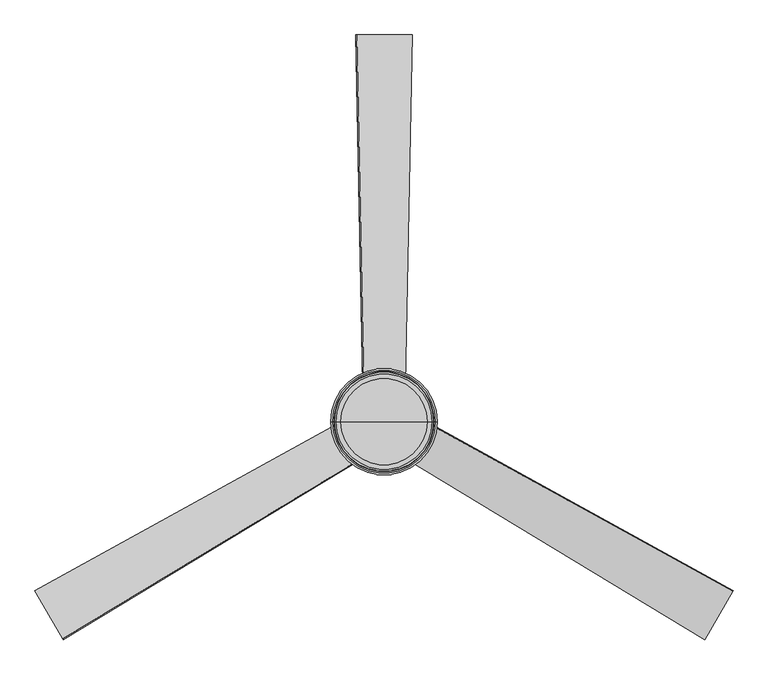
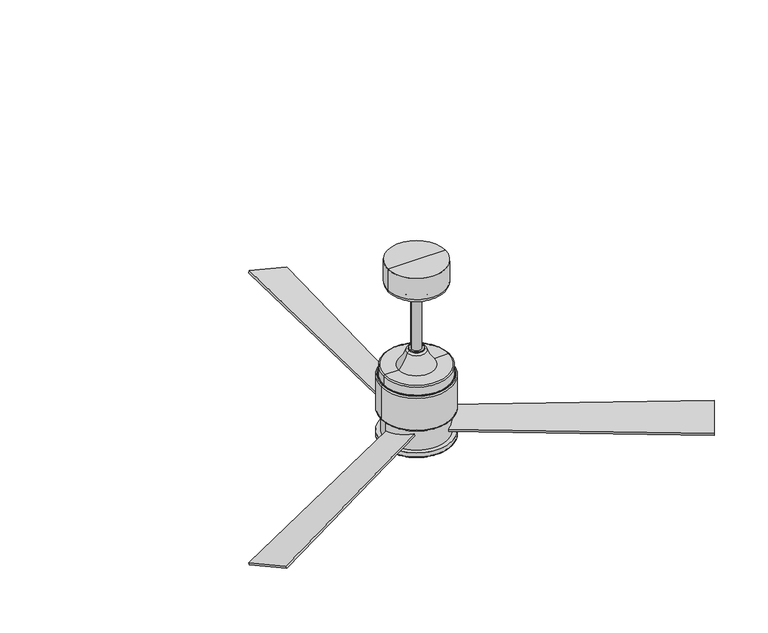
"""IFC4 building model written with IfcOpenShell, lengths in millimetres: proxy geometry."""

from ifc_helpers import new_model, si_unit, point, frame, frame_2d, origin, origin_2d, place, context, project, spatial, polyline, circle_curve, ellipse_curve, trimmed, segment, composite_curve, outline, extrude, source, transform, mapped, element, save
from ifc_brep_helpers import plane_surface, cylinder_surface, revolved_surface, advanced_brep


def electrical_fixtures_88cdbd26(model_context):
    return source(origin(), model_context, "Body", "SolidModel", [
        extrude(outline(composite_curve([segment(polyline([(618.0552904, 0.0), (615.9675807, -101.5785482), (-1.5657822, -76.1839112)]), True, "CONTINUOUS"), segment(trimmed(circle_curve(frame_2d((-66.7600935, -36.7359483)), 76.2), [point((-1.5657822, -76.1839112))], [point((0.0, 0.0))], True, "CARTESIAN"), True, "CONTINUOUS"), segment(polyline([(0.0, 0.0), (618.0552904, 0.0)]), True, "CONTINUOUS")], self_intersect=False)), frame((-38.2818154, -65.6762222, 1365.6692325), z_axis=(-0.12096094779976571, 0.20951050732098522, 0.9702957262760081), x_axis=(-0.855873576771031, -0.5171612020016553, 0.004971089353974743)), (0.0, 0.0, 1.0), 6.35),
        extrude(outline(composite_curve([segment(polyline([(618.0552904, 0.0), (615.9675807, -101.5785483), (-1.5657823, -76.1839112)]), True, "CONTINUOUS"), segment(trimmed(circle_curve(frame_2d((-66.7600936, -36.7359484)), 76.2), [point((-1.5657823, -76.1839112))], [point((0.0, 0.0))], True, "CARTESIAN"), True, "CONTINUOUS"), segment(polyline([(0.0, 0.0), (618.0552904, 0.0)]), True, "CONTINUOUS")], self_intersect=False)), frame((76.0181846, -0.3149135, 1365.6692325), z_axis=(-0.12096094779985624, -0.20951050732093288, 0.970295726276008), x_axis=(0.8758115271706439, -0.48262765891073756, 0.004971089353974743)), (0.0, 0.0, 1.0), 6.35),
        extrude(outline(composite_curve([segment(polyline([(618.0552903, 0.0), (615.9675807, -101.5785483), (-1.5657822, -76.1839112)]), True, "CONTINUOUS"), segment(trimmed(circle_curve(frame_2d((-66.7600936, -36.7359484)), 76.2), [point((-1.5657822, -76.1839112))], [point((0.0, 0.0))], True, "CARTESIAN"), True, "CONTINUOUS"), segment(polyline([(0.0, 0.0), (618.0552903, 0.0)]), True, "CONTINUOUS")], self_intersect=False)), frame((-37.7363692, 65.9911358, 1365.6692325), z_axis=(0.24192189559962166, 0.0, 0.9702957262760081), x_axis=(-0.01993795039982896, 0.9997888609123872, 0.004971089353974743)), (0.0, 0.0, 1.0), 6.35),
        extrude(outline(composite_curve([segment(trimmed(circle_curve(origin_2d(), 12.7), [point((-12.7, 0.0))], [point((12.7, 0.0))], False, "CARTESIAN"), True, "CONTINUOUS"), segment(trimmed(circle_curve(origin_2d(), 12.7), [point((12.7, 0.0))], [point((-12.7, 0.0))], False, "CARTESIAN"), True, "CONTINUOUS")], self_intersect=False)), frame((0.0, 0.0, 1556.8482426), z_axis=(0.0, 0.0, 1.0), x_axis=(1.0, 0.0, 0.0)), (0.0, 0.0, 1.0), 168.3784583),
        advanced_brep(
        [(18.2654699, 0.0, 1554.7561623), (-18.2654699, 0.0, 1554.7561623), (-18.2654699, 0.0, 1556.8482426), (18.2654699, 0.0, 1556.8482426), (19.3000151, 0.0, 1554.7561623), (-19.3000151, 0.0, 1554.7561623), (24.4267612, 0.0, 1550.8019007), (-24.4267612, 0.0, 1550.8019007), (46.9645195, 0.0, 1510.1940866), (-46.9645195, 0.0, 1510.1940866), (84.2900475, 0.0, 1510.1940866), (-84.2900475, 0.0, 1510.1940866), (87.4650475, 0.0, 1507.0190866), (-87.4650475, 0.0, 1507.0190866), (87.4650475, 0.0, 1484.1618645), (-87.4650475, 0.0, 1484.1618645), (88.507256, 0.0, 1483.1196561), (-88.507256, 0.0, 1483.1196561), (90.9671745, 0.0, 1483.1196561), (-90.9671745, 0.0, 1483.1196561), (94.0938, 0.0, 1479.9930306), (-94.0938, 0.0, 1479.9930306), (94.0938, 0.0, 1390.1638558), (-94.0938, 0.0, 1390.1638558), (90.9671745, 0.0, 1387.0372304), (-90.9671745, 0.0, 1387.0372304), (82.6295067, 0.0, 1387.0372304), (-82.6295067, 0.0, 1387.0372304), (82.6295067, 0.0, 1326.7424046), (-82.6295067, 0.0, 1326.7424046), (94.0938, 0.0, 1326.7424046), (-94.0938, 0.0, 1326.7424046), (94.0938, 0.0, 1315.2934379), (-94.0938, 0.0, 1315.2934379), (90.9671745, 0.0, 1312.1668125), (-90.9671745, 0.0, 1312.1668125), (86.5377885, 0.0, 1312.1668125), (-86.5377885, 0.0, 1312.1668125), (83.9935737, 0.0, 1311.7529944), (-83.9935737, 0.0, 1311.7529944), (33.1322673, 0.0, 1303.4), (-33.1322673, 0.0, 1303.4), (0.0, 0.0, 1303.4), (0.0, 0.0, 1556.8482426)],
        [
            (0, 1, circle_curve(frame((0.0, 0.0, 1554.7561623), z_axis=(0.0, 0.0, 1.0), x_axis=(-1.0, 0.0, 0.0)), 18.2654699)),
            (1, 2),
            (2, 3, circle_curve(frame((0.0, 0.0, 1556.8482426), z_axis=(0.0, 0.0, -1.0), x_axis=(-1.0, 0.0, 0.0)), 18.2654699)),
            (3, 0),
            (1, 0, circle_curve(frame((0.0, 0.0, 1554.7561623), z_axis=(0.0, 0.0, 1.0), x_axis=(-1.0, 0.0, 0.0)), 18.2654699)),
            (3, 2, circle_curve(frame((0.0, 0.0, 1556.8482426), z_axis=(0.0, 0.0, -1.0), x_axis=(-1.0, 0.0, 0.0)), 18.2654699)),
            (4, 5, circle_curve(frame((0.0, 0.0, 1554.7561623), z_axis=(0.0, 0.0, 1.0), x_axis=(-1.0, 0.0, 0.0)), 19.3000151)),
            (5, 1),
            (0, 4),
            (5, 4, circle_curve(frame((0.0, 0.0, 1554.7561623), z_axis=(0.0, 0.0, 1.0), x_axis=(-1.0, 0.0, 0.0)), 19.3000151)),
            (6, 7, circle_curve(frame((0.0, 0.0, 1550.8019007), z_axis=(0.0, 0.0, 1.0), x_axis=(-1.0, 0.0, 0.0)), 24.4267612)),
            (7, 5, circle_curve(frame((-19.3000151, 0.0, 1549.4555886), z_axis=(0.0, 1.0, 0.0), x_axis=(1.0, 0.0, 0.0)), 5.3005738)),
            (4, 6, circle_curve(frame((19.3000151, 0.0, 1549.4555886), z_axis=(0.0, 1.0, 0.0), x_axis=(-1.0, 0.0, 0.0)), 5.3005738)),
            (7, 6, circle_curve(frame((0.0, 0.0, 1550.8019007), z_axis=(0.0, 0.0, 1.0), x_axis=(-1.0, 0.0, 0.0)), 24.4267612)),
            (8, 9, circle_curve(frame((0.0, 0.0, 1510.1940866), z_axis=(0.0, 0.0, 1.0), x_axis=(-1.0, 0.0, 0.0)), 46.9645195)),
            (9, 7, circle_curve(frame((-115.2537686, 0.0, 1574.6535806), z_axis=(0.0, -1.0, 0.0), x_axis=(1.0, 0.0, 0.0)), 93.9065913)),
            (6, 8, circle_curve(frame((115.2537686, 0.0, 1574.6535806), z_axis=(0.0, -1.0, 0.0), x_axis=(-1.0, 0.0, 0.0)), 93.9065913)),
            (9, 8, circle_curve(frame((0.0, 0.0, 1510.1940866), z_axis=(0.0, 0.0, 1.0), x_axis=(-1.0, 0.0, 0.0)), 46.9645195)),
            (10, 11, circle_curve(frame((0.0, 0.0, 1510.1940866), z_axis=(0.0, 0.0, 1.0), x_axis=(-1.0, 0.0, 0.0)), 84.2900475)),
            (11, 9),
            (8, 10),
            (11, 10, circle_curve(frame((0.0, 0.0, 1510.1940866), z_axis=(0.0, 0.0, 1.0), x_axis=(-1.0, 0.0, 0.0)), 84.2900475)),
            (12, 13, circle_curve(frame((0.0, 0.0, 1507.0190866), z_axis=(0.0, 0.0, 1.0), x_axis=(-1.0, 0.0, 0.0)), 87.4650475)),
            (13, 11, circle_curve(frame((-84.2900475, 0.0, 1507.0190866), z_axis=(0.0, 1.0, 0.0), x_axis=(1.0, 0.0, 0.0)), 3.175)),
            (10, 12, circle_curve(frame((84.2900475, 0.0, 1507.0190866), z_axis=(0.0, 1.0, 0.0), x_axis=(-1.0, 0.0, 0.0)), 3.175)),
            (13, 12, circle_curve(frame((0.0, 0.0, 1507.0190866), z_axis=(0.0, 0.0, 1.0), x_axis=(-1.0, 0.0, 0.0)), 87.4650475)),
            (14, 15, circle_curve(frame((0.0, 0.0, 1484.1618645), z_axis=(0.0, 0.0, 1.0), x_axis=(-1.0, 0.0, 0.0)), 87.4650475)),
            (15, 13),
            (12, 14),
            (15, 14, circle_curve(frame((0.0, 0.0, 1484.1618645), z_axis=(0.0, 0.0, 1.0), x_axis=(-1.0, 0.0, 0.0)), 87.4650475)),
            (16, 17, circle_curve(frame((0.0, 0.0, 1483.1196561), z_axis=(0.0, 0.0, 1.0), x_axis=(-1.0, 0.0, 0.0)), 88.507256)),
            (17, 15),
            (14, 16),
            (17, 16, circle_curve(frame((0.0, 0.0, 1483.1196561), z_axis=(0.0, 0.0, 1.0), x_axis=(-1.0, 0.0, 0.0)), 88.507256)),
            (18, 19, circle_curve(frame((0.0, 0.0, 1483.1196561), z_axis=(0.0, 0.0, 1.0), x_axis=(-1.0, 0.0, 0.0)), 90.9671745)),
            (19, 17),
            (16, 18),
            (19, 18, circle_curve(frame((0.0, 0.0, 1483.1196561), z_axis=(0.0, 0.0, 1.0), x_axis=(-1.0, 0.0, 0.0)), 90.9671745)),
            (20, 21, circle_curve(frame((0.0, 0.0, 1479.9930306), z_axis=(0.0, 0.0, 1.0), x_axis=(-1.0, 0.0, 0.0)), 94.0938)),
            (21, 19, circle_curve(frame((-90.9671745, 0.0, 1479.9930306), z_axis=(0.0, 1.0, 0.0), x_axis=(1.0, 0.0, 0.0)), 3.1266254)),
            (18, 20, circle_curve(frame((90.9671745, 0.0, 1479.9930306), z_axis=(0.0, 1.0, 0.0), x_axis=(-1.0, 0.0, 0.0)), 3.1266254)),
            (21, 20, circle_curve(frame((0.0, 0.0, 1479.9930306), z_axis=(0.0, 0.0, 1.0), x_axis=(-1.0, 0.0, 0.0)), 94.0938)),
            (22, 23, circle_curve(frame((0.0, 0.0, 1390.1638558), z_axis=(0.0, 0.0, 1.0), x_axis=(-1.0, 0.0, 0.0)), 94.0938)),
            (23, 21),
            (20, 22),
            (23, 22, circle_curve(frame((0.0, 0.0, 1390.1638558), z_axis=(0.0, 0.0, 1.0), x_axis=(-1.0, 0.0, 0.0)), 94.0938)),
            (24, 25, circle_curve(frame((0.0, 0.0, 1387.0372304), z_axis=(0.0, 0.0, 1.0), x_axis=(-1.0, 0.0, 0.0)), 90.9671745)),
            (25, 23, circle_curve(frame((-90.9671745, 0.0, 1390.1638558), z_axis=(0.0, 1.0, 0.0), x_axis=(1.0, 0.0, 0.0)), 3.1266254)),
            (22, 24, circle_curve(frame((90.9671745, 0.0, 1390.1638558), z_axis=(0.0, 1.0, 0.0), x_axis=(-1.0, 0.0, 0.0)), 3.1266254)),
            (25, 24, circle_curve(frame((0.0, 0.0, 1387.0372304), z_axis=(0.0, 0.0, 1.0), x_axis=(-1.0, 0.0, 0.0)), 90.9671745)),
            (26, 27, circle_curve(frame((0.0, 0.0, 1387.0372304), z_axis=(0.0, 0.0, 1.0), x_axis=(-1.0, 0.0, 0.0)), 82.6295067)),
            (27, 25),
            (24, 26),
            (27, 26, circle_curve(frame((0.0, 0.0, 1387.0372304), z_axis=(0.0, 0.0, 1.0), x_axis=(-1.0, 0.0, 0.0)), 82.6295067)),
            (28, 29, circle_curve(frame((0.0, 0.0, 1326.7424046), z_axis=(0.0, 0.0, 1.0), x_axis=(-1.0, 0.0, 0.0)), 82.6295067)),
            (29, 27),
            (26, 28),
            (29, 28, circle_curve(frame((0.0, 0.0, 1326.7424046), z_axis=(0.0, 0.0, 1.0), x_axis=(-1.0, 0.0, 0.0)), 82.6295067)),
            (30, 31, circle_curve(frame((0.0, 0.0, 1326.7424046), z_axis=(0.0, 0.0, 1.0), x_axis=(-1.0, 0.0, 0.0)), 94.0938)),
            (31, 29),
            (28, 30),
            (31, 30, circle_curve(frame((0.0, 0.0, 1326.7424046), z_axis=(0.0, 0.0, 1.0), x_axis=(-1.0, 0.0, 0.0)), 94.0938)),
            (32, 33, circle_curve(frame((0.0, 0.0, 1315.2934379), z_axis=(0.0, 0.0, 1.0), x_axis=(-1.0, 0.0, 0.0)), 94.0938)),
            (33, 31),
            (30, 32),
            (33, 32, circle_curve(frame((0.0, 0.0, 1315.2934379), z_axis=(0.0, 0.0, 1.0), x_axis=(-1.0, 0.0, 0.0)), 94.0938)),
            (34, 35, circle_curve(frame((0.0, 0.0, 1312.1668125), z_axis=(0.0, 0.0, 1.0), x_axis=(-1.0, 0.0, 0.0)), 90.9671745)),
            (35, 33, circle_curve(frame((-90.9671745, 0.0, 1315.2934379), z_axis=(0.0, 1.0, 0.0), x_axis=(1.0, 0.0, 0.0)), 3.1266254)),
            (32, 34, circle_curve(frame((90.9671745, 0.0, 1315.2934379), z_axis=(0.0, 1.0, 0.0), x_axis=(-1.0, 0.0, 0.0)), 3.1266254)),
            (35, 34, circle_curve(frame((0.0, 0.0, 1312.1668125), z_axis=(0.0, 0.0, 1.0), x_axis=(-1.0, 0.0, 0.0)), 90.9671745)),
            (36, 37, circle_curve(frame((0.0, 0.0, 1312.1668125), z_axis=(0.0, 0.0, 1.0), x_axis=(-1.0, 0.0, 0.0)), 86.5377885)),
            (37, 35),
            (34, 36),
            (37, 36, circle_curve(frame((0.0, 0.0, 1312.1668125), z_axis=(0.0, 0.0, 1.0), x_axis=(-1.0, 0.0, 0.0)), 86.5377885)),
            (38, 39, circle_curve(frame((0.0, 0.0, 1311.7529944), z_axis=(0.0, 0.0, 1.0), x_axis=(-1.0, 0.0, 0.0)), 83.9935737)),
            (39, 37),
            (36, 38),
            (39, 38, circle_curve(frame((0.0, 0.0, 1311.7529944), z_axis=(0.0, 0.0, 1.0), x_axis=(-1.0, 0.0, 0.0)), 83.9935737)),
            (40, 41, circle_curve(frame((0.0, 0.0, 1303.4), z_axis=(0.0, 0.0, 1.0), x_axis=(-1.0, 0.0, 0.0)), 33.1322673)),
            (41, 39, circle_curve(frame((-32.6942595, 0.0, 1465.0905364), z_axis=(0.0, 1.0, 0.0), x_axis=(1.0, 0.0, 0.0)), 161.6911297)),
            (38, 40, circle_curve(frame((32.6942595, 0.0, 1465.0905364), z_axis=(0.0, 1.0, 0.0), x_axis=(-1.0, 0.0, 0.0)), 161.6911297)),
            (41, 40, circle_curve(frame((0.0, 0.0, 1303.4), z_axis=(0.0, 0.0, 1.0), x_axis=(-1.0, 0.0, 0.0)), 33.1322673)),
            (42, 41),
            (40, 42),
            (2, 43),
            (43, 3),
        ],
        [
            cylinder_surface(frame((0.0, 0.0, 1571.6269121), z_axis=(0.0, 0.0, -1.0), x_axis=(-1.0, 0.0, 0.0)), 18.2654699),
            plane_surface(frame((0.0, 0.0, 1554.7561623), z_axis=(0.0, 0.0, 1.0), x_axis=(-1.0, 0.0, 0.0))),
            revolved_surface(trimmed(ellipse_curve(frame((-19.3000151, 0.0, 1549.4555886), z_axis=(0.0, -1.0, 0.0), x_axis=(1.0, 0.0, 0.0)), 5.3005738, 5.3005738), [point((-19.3000151, 0.0, 1554.7561623))], [point((-24.4267612, 0.0, 1550.8019007))], True, "CARTESIAN"), (0.0, 0.0, 1571.6269121), (0.0, 0.0, -1.0)),
            revolved_surface(trimmed(ellipse_curve(frame((-115.2537686, 0.0, 1574.6535806), z_axis=(0.0, 1.0, 0.0), x_axis=(1.0, 0.0, 0.0)), 93.9065913, 93.9065913), [point((-24.4267612, 0.0, 1550.8019007))], [point((-46.9645195, 0.0, 1510.1940866))], True, "CARTESIAN"), (0.0, 0.0, 1571.6269121), (0.0, 0.0, -1.0)),
            plane_surface(frame((0.0, 0.0, 1510.1940866), z_axis=(0.0, 0.0, 1.0), x_axis=(-1.0, 0.0, 0.0))),
            revolved_surface(trimmed(ellipse_curve(frame((-84.2900475, 0.0, 1507.0190866), z_axis=(0.0, -1.0, 0.0), x_axis=(1.0, 0.0, 0.0)), 3.175, 3.175), [point((-84.2900475, 0.0, 1510.1940866))], [point((-87.4650475, 0.0, 1507.0190866))], True, "CARTESIAN"), (0.0, 0.0, 1571.6269121), (0.0, 0.0, -1.0)),
            cylinder_surface(frame((0.0, 0.0, 1571.6269121), z_axis=(0.0, 0.0, -1.0), x_axis=(-1.0, 0.0, 0.0)), 87.4650475),
            revolved_surface(polyline([(-87.4650475, 0.0, 1484.1618645), (-88.507256, 0.0, 1483.1196561)]), (0.0, 0.0, 1571.6269121), (0.0, 0.0, -1.0)),
            plane_surface(frame((0.0, 0.0, 1483.1196561), z_axis=(0.0, 0.0, 1.0), x_axis=(-1.0, 0.0, 0.0))),
            revolved_surface(trimmed(ellipse_curve(frame((-90.9671745, 0.0, 1479.9930306), z_axis=(0.0, -1.0, 0.0), x_axis=(1.0, 0.0, 0.0)), 3.1266254, 3.1266254), [point((-90.9671745, 0.0, 1483.1196561))], [point((-94.0938, 0.0, 1479.9930306))], True, "CARTESIAN"), (0.0, 0.0, 1571.6269121), (0.0, 0.0, -1.0)),
            cylinder_surface(frame((0.0, 0.0, 1571.6269121), z_axis=(0.0, 0.0, -1.0), x_axis=(-1.0, 0.0, 0.0)), 94.0938),
            revolved_surface(trimmed(ellipse_curve(frame((-90.9671745, 0.0, 1390.1638558), z_axis=(0.0, -1.0, 0.0), x_axis=(1.0, 0.0, 0.0)), 3.1266254, 3.1266254), [point((-94.0938, 0.0, 1390.1638558))], [point((-90.9671745, 0.0, 1387.0372304))], True, "CARTESIAN"), (0.0, 0.0, 1571.6269121), (0.0, 0.0, -1.0)),
            plane_surface(frame((0.0, 0.0, 1387.0372304), z_axis=(0.0, 0.0, -1.0), x_axis=(-1.0, 0.0, 0.0))),
            cylinder_surface(frame((0.0, 0.0, 1571.6269121), z_axis=(0.0, 0.0, -1.0), x_axis=(-1.0, 0.0, 0.0)), 82.6295067),
            plane_surface(frame((0.0, 0.0, 1326.7424046), z_axis=(0.0, 0.0, 1.0), x_axis=(-1.0, 0.0, 0.0))),
            revolved_surface(trimmed(ellipse_curve(frame((-90.9671745, 0.0, 1315.2934379), z_axis=(0.0, -1.0, 0.0), x_axis=(1.0, 0.0, 0.0)), 3.1266254, 3.1266254), [point((-94.0938, 0.0, 1315.2934379))], [point((-90.9671745, 0.0, 1312.1668125))], True, "CARTESIAN"), (0.0, 0.0, 1571.6269121), (0.0, 0.0, -1.0)),
            plane_surface(frame((0.0, 0.0, 1312.1668125), z_axis=(0.0, 0.0, -1.0), x_axis=(-1.0, 0.0, 0.0))),
            revolved_surface(polyline([(-86.5377885, 0.0, 1312.1668125), (-83.9935737, 0.0, 1311.7529944)]), (0.0, 0.0, 1571.6269121), (0.0, 0.0, -1.0)),
            revolved_surface(trimmed(ellipse_curve(frame((-32.6942595, 0.0, 1465.0905364), z_axis=(0.0, -1.0, 0.0), x_axis=(1.0, 0.0, 0.0)), 161.6911297, 161.6911297), [point((-83.9935737, 0.0, 1311.7529944))], [point((-33.1322673, 0.0, 1303.4))], True, "CARTESIAN"), (0.0, 0.0, 1571.6269121), (0.0, 0.0, -1.0)),
            plane_surface(frame((0.0, 0.0, 1303.4), z_axis=(0.0, 0.0, -1.0), x_axis=(-1.0, 0.0, 0.0))),
            plane_surface(frame((0.0, 0.0, 1556.8482426), z_axis=(0.0, 0.0, 1.0), x_axis=(-1.0, 0.0, 0.0))),
        ],
        [
            (0, [[1, 2, 3, 4]]),
            (0, [[5, -4, 6, -2]]),
            (1, [[7, 8, -1, 9]]),
            (1, [[10, -9, -5, -8]]),
            (2, [[11, 12, -7, 13]]),
            (2, [[14, -13, -10, -12]]),
            (3, [[15, 16, -11, 17]]),
            (3, [[18, -17, -14, -16]]),
            (4, [[19, 20, -15, 21]]),
            (4, [[22, -21, -18, -20]]),
            (5, [[23, 24, -19, 25]]),
            (5, [[26, -25, -22, -24]]),
            (6, [[27, 28, -23, 29]]),
            (6, [[30, -29, -26, -28]]),
            (7, [[31, 32, -27, 33]]),
            (7, [[34, -33, -30, -32]]),
            (8, [[35, 36, -31, 37]]),
            (8, [[38, -37, -34, -36]]),
            (9, [[39, 40, -35, 41]]),
            (9, [[42, -41, -38, -40]]),
            (10, [[43, 44, -39, 45]]),
            (10, [[46, -45, -42, -44]]),
            (11, [[47, 48, -43, 49]]),
            (11, [[50, -49, -46, -48]]),
            (12, [[51, 52, -47, 53]]),
            (12, [[54, -53, -50, -52]]),
            (13, [[55, 56, -51, 57]]),
            (13, [[58, -57, -54, -56]]),
            (14, [[59, 60, -55, 61]]),
            (14, [[62, -61, -58, -60]]),
            (10, [[63, 64, -59, 65]]),
            (10, [[66, -65, -62, -64]]),
            (15, [[67, 68, -63, 69]]),
            (15, [[70, -69, -66, -68]]),
            (16, [[71, 72, -67, 73]]),
            (16, [[74, -73, -70, -72]]),
            (17, [[75, 76, -71, 77]]),
            (17, [[78, -77, -74, -76]]),
            (18, [[79, 80, -75, 81]]),
            (18, [[82, -81, -78, -80]]),
            (19, [[83, -79, 84]]),
            (19, [[-84, -82, -83]]),
            (20, [[-3, 85, 86]]),
            (20, [[-6, -86, -85]]),
        ],
    ),
        advanced_brep(
        [(76.2, 0.0, 1744.5535375), (-76.2, 0.0, 1744.5535375), (-76.2, 0.0, 1803.4), (76.2, 0.0, 1803.4), (66.9274099, 0.0, 1735.2809474), (-66.9274099, 0.0, 1735.2809474), (46.228843, 0.0, 1735.2809474), (-46.228843, 0.0, 1735.2809474), (46.228843, 0.0, 1732.9513049), (-46.228843, 0.0, 1732.9513049), (44.351335, 0.0, 1731.0661337), (-44.351335, 0.0, 1731.0661337), (21.974506, 0.0, 1731.0661337), (-21.974506, 0.0, 1731.0661337), (14.5640971, 0.0, 1725.2267009), (-14.5640971, 0.0, 1725.2267009), (0.0, 0.0, 1725.2267009), (0.0, 0.0, 1803.4)],
        [
            (0, 1, circle_curve(frame((0.0, 0.0, 1744.5535375), z_axis=(0.0, 0.0, 1.0), x_axis=(-1.0, 0.0, 0.0)), 76.2)),
            (1, 2),
            (2, 3, circle_curve(frame((0.0, 0.0, 1803.4), z_axis=(0.0, 0.0, -1.0), x_axis=(-1.0, 0.0, 0.0)), 76.2)),
            (3, 0),
            (1, 0, circle_curve(frame((0.0, 0.0, 1744.5535375), z_axis=(0.0, 0.0, 1.0), x_axis=(-1.0, 0.0, 0.0)), 76.2)),
            (3, 2, circle_curve(frame((0.0, 0.0, 1803.4), z_axis=(0.0, 0.0, -1.0), x_axis=(-1.0, 0.0, 0.0)), 76.2)),
            (4, 5, circle_curve(frame((0.0, 0.0, 1735.2809474), z_axis=(0.0, 0.0, 1.0), x_axis=(-1.0, 0.0, 0.0)), 66.9274099)),
            (5, 1, circle_curve(frame((-66.9274099, 0.0, 1744.5535375), z_axis=(0.0, 1.0, 0.0), x_axis=(1.0, 0.0, 0.0)), 9.2725901)),
            (0, 4, circle_curve(frame((66.9274099, 0.0, 1744.5535375), z_axis=(0.0, 1.0, 0.0), x_axis=(-1.0, 0.0, 0.0)), 9.2725901)),
            (5, 4, circle_curve(frame((0.0, 0.0, 1735.2809474), z_axis=(0.0, 0.0, 1.0), x_axis=(-1.0, 0.0, 0.0)), 66.9274099)),
            (6, 7, circle_curve(frame((0.0, 0.0, 1735.2809474), z_axis=(0.0, 0.0, 1.0), x_axis=(-1.0, 0.0, 0.0)), 46.228843)),
            (7, 5),
            (4, 6),
            (7, 6, circle_curve(frame((0.0, 0.0, 1735.2809474), z_axis=(0.0, 0.0, 1.0), x_axis=(-1.0, 0.0, 0.0)), 46.228843)),
            (8, 9, circle_curve(frame((0.0, 0.0, 1732.9513049), z_axis=(0.0, 0.0, 1.0), x_axis=(-1.0, 0.0, 0.0)), 46.228843)),
            (9, 7),
            (6, 8),
            (9, 8, circle_curve(frame((0.0, 0.0, 1732.9513049), z_axis=(0.0, 0.0, 1.0), x_axis=(-1.0, 0.0, 0.0)), 46.228843)),
            (10, 11, circle_curve(frame((0.0, 0.0, 1731.0661337), z_axis=(0.0, 0.0, 1.0), x_axis=(-1.0, 0.0, 0.0)), 44.351335)),
            (11, 9, circle_curve(frame((-44.3436561, 0.0, 1732.9513049), z_axis=(0.0, 1.0, 0.0), x_axis=(1.0, 0.0, 0.0)), 1.8851869)),
            (8, 10, circle_curve(frame((44.3436561, 0.0, 1732.9513049), z_axis=(0.0, 1.0, 0.0), x_axis=(-1.0, 0.0, 0.0)), 1.8851869)),
            (11, 10, circle_curve(frame((0.0, 0.0, 1731.0661337), z_axis=(0.0, 0.0, 1.0), x_axis=(-1.0, 0.0, 0.0)), 44.351335)),
            (12, 13, circle_curve(frame((0.0, 0.0, 1731.0661337), z_axis=(0.0, 0.0, 1.0), x_axis=(-1.0, 0.0, 0.0)), 21.974506)),
            (13, 11),
            (10, 12),
            (13, 12, circle_curve(frame((0.0, 0.0, 1731.0661337), z_axis=(0.0, 0.0, 1.0), x_axis=(-1.0, 0.0, 0.0)), 21.974506)),
            (14, 15, circle_curve(frame((0.0, 0.0, 1725.2267009), z_axis=(0.0, 0.0, 1.0), x_axis=(-1.0, 0.0, 0.0)), 14.5640971)),
            (15, 13, circle_curve(frame((-1.1787071, 0.0, 1749.8348751), z_axis=(0.0, 1.0, 0.0), x_axis=(1.0, 0.0, 0.0)), 28.0130488)),
            (12, 14, circle_curve(frame((1.1787071, 0.0, 1749.8348751), z_axis=(0.0, 1.0, 0.0), x_axis=(-1.0, 0.0, 0.0)), 28.0130488)),
            (15, 14, circle_curve(frame((0.0, 0.0, 1725.2267009), z_axis=(0.0, 0.0, 1.0), x_axis=(-1.0, 0.0, 0.0)), 14.5640971)),
            (16, 15),
            (14, 16),
            (2, 17),
            (17, 3),
        ],
        [
            cylinder_surface(frame((0.0, 0.0, 1816.1), z_axis=(0.0, 0.0, -1.0), x_axis=(-1.0, 0.0, 0.0)), 76.2),
            revolved_surface(trimmed(ellipse_curve(frame((-66.9274099, 0.0, 1744.5535375), z_axis=(0.0, -1.0, 0.0), x_axis=(1.0, 0.0, 0.0)), 9.2725901, 9.2725901), [point((-76.2, 0.0, 1744.5535375))], [point((-66.9274099, 0.0, 1735.2809474))], True, "CARTESIAN"), (0.0, 0.0, 1816.1), (0.0, 0.0, -1.0)),
            plane_surface(frame((0.0, 0.0, 1735.2809474), z_axis=(0.0, 0.0, -1.0), x_axis=(-1.0, 0.0, 0.0))),
            cylinder_surface(frame((0.0, 0.0, 1816.1), z_axis=(0.0, 0.0, -1.0), x_axis=(-1.0, 0.0, 0.0)), 46.228843),
            revolved_surface(trimmed(ellipse_curve(frame((-44.3436561, 0.0, 1732.9513049), z_axis=(0.0, -1.0, 0.0), x_axis=(1.0, 0.0, 0.0)), 1.8851869, 1.8851869), [point((-46.228843, 0.0, 1732.9513049))], [point((-44.351335, 0.0, 1731.0661337))], True, "CARTESIAN"), (0.0, 0.0, 1816.1), (0.0, 0.0, -1.0)),
            plane_surface(frame((0.0, 0.0, 1731.0661337), z_axis=(0.0, 0.0, -1.0), x_axis=(-1.0, 0.0, 0.0))),
            revolved_surface(trimmed(ellipse_curve(frame((-1.1787071, 0.0, 1749.8348751), z_axis=(0.0, -1.0, 0.0), x_axis=(1.0, 0.0, 0.0)), 28.0130488, 28.0130488), [point((-21.974506, 0.0, 1731.0661337))], [point((-14.5640971, 0.0, 1725.2267009))], True, "CARTESIAN"), (0.0, 0.0, 1816.1), (0.0, 0.0, -1.0)),
            plane_surface(frame((0.0, 0.0, 1725.2267009), z_axis=(0.0, 0.0, -1.0), x_axis=(-1.0, 0.0, 0.0))),
            plane_surface(frame((0.0, 0.0, 1803.4), z_axis=(0.0, 0.0, 1.0), x_axis=(-1.0, 0.0, 0.0))),
        ],
        [
            (0, [[1, 2, 3, 4]]),
            (0, [[5, -4, 6, -2]]),
            (1, [[7, 8, -1, 9]]),
            (1, [[10, -9, -5, -8]]),
            (2, [[11, 12, -7, 13]]),
            (2, [[14, -13, -10, -12]]),
            (3, [[15, 16, -11, 17]]),
            (3, [[18, -17, -14, -16]]),
            (4, [[19, 20, -15, 21]]),
            (4, [[22, -21, -18, -20]]),
            (5, [[23, 24, -19, 25]]),
            (5, [[26, -25, -22, -24]]),
            (6, [[27, 28, -23, 29]]),
            (6, [[30, -29, -26, -28]]),
            (7, [[31, -27, 32]]),
            (7, [[-32, -30, -31]]),
            (8, [[-3, 33, 34]]),
            (8, [[-6, -34, -33]]),
        ],
    ),
    ])


if __name__ == "__main__":
    model = new_model("IFC4")
    model_context = context("Model", 3, world=origin())
    ifc_project = project(units=[si_unit("LENGTHUNIT", "METRE", prefix="MILLI")], contexts=[model_context])
    site = spatial("IfcSite", under=ifc_project)
    building = spatial("IfcBuilding", under=site)
    placement = place(None, origin())
    electrical_fixtures_shape = electrical_fixtures_88cdbd26(model_context)
    element("IfcBuildingElementProxy", 1, Name="Electrical Fixtures", at=placement, inside=building, context=model_context, shape_type="MappedRepresentation", body=[
        mapped(electrical_fixtures_shape, transform((0.0, 0.0, 0.0), x_axis=(1.0, 0.0, 0.0), y_axis=(0.0, 1.0, 0.0), z_axis=(0.0, 0.0, 1.0))),
    ])
    save(model, "model.ifc")
